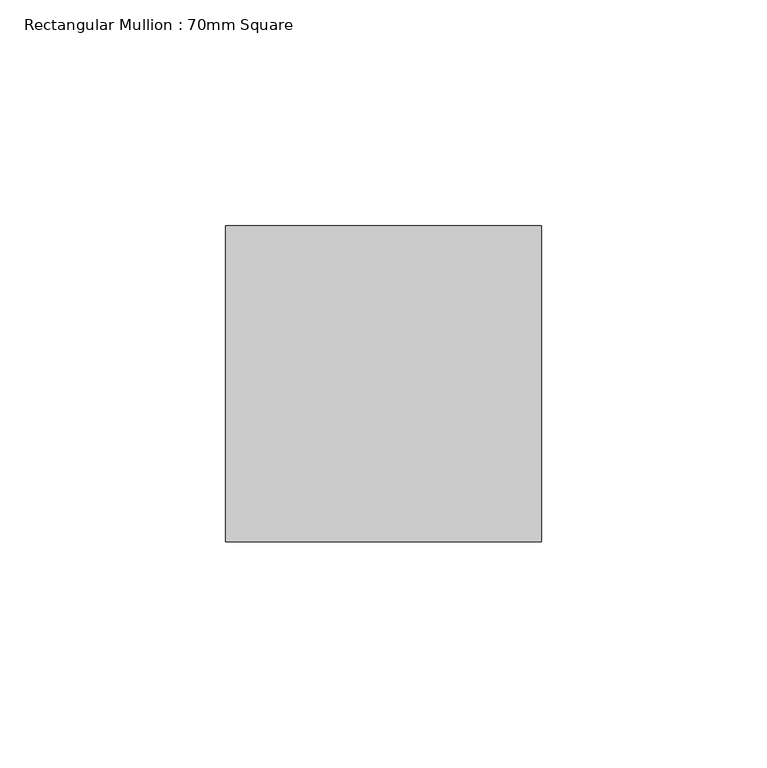
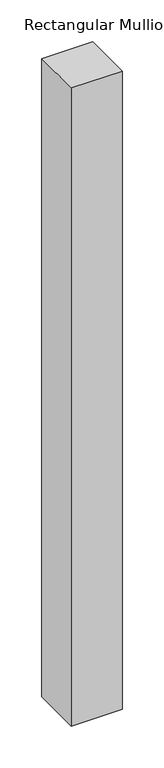
"""IFC4 building model written with IfcOpenShell, lengths in millimetres: member geometry, Rectangular Mullion : 70mm Square."""

from ifc_helpers import new_model, si_unit, frame, origin, place, context, project, spatial, polyline, outline, extrude, source, transform, mapped, element, save


def rectangular_mullion_70mm_square_32670541(model_context):
    return source(origin(), model_context, "Body", "SweptSolid", [
        extrude(outline(polyline([(0.0, 35.0), (0.0, -35.0), (-70.0, -35.0), (-70.0, 35.0), (0.0, 35.0)])), frame((0.0, 0.0, -929.9692144), z_axis=(0.0, 0.0, 1.0), x_axis=(1.0, 0.0, 0.0)), (0.0, 0.0, 1.0), 929.9692144),
    ])


if __name__ == "__main__":
    model = new_model("IFC4")
    model_context = context("Model", 3, world=origin())
    ifc_project = project(units=[si_unit("LENGTHUNIT", "METRE", prefix="MILLI")], contexts=[model_context])
    site = spatial("IfcSite", under=ifc_project)
    building = spatial("IfcBuilding", under=site)
    placement = place(None, origin())
    rectangular_mullion_70mm_square_shape = rectangular_mullion_70mm_square_32670541(model_context)
    element("IfcMember", 1, ObjectType="Rectangular Mullion : 70mm Square", at=placement, inside=building, context=model_context, shape_type="MappedRepresentation", body=[
        mapped(rectangular_mullion_70mm_square_shape, transform((0.0, 0.0, 0.0), x_axis=(1.0, 0.0, 0.0), y_axis=(0.0, 1.0, 0.0), z_axis=(0.0, 0.0, 1.0))),
    ])
    save(model, "model.ifc")
